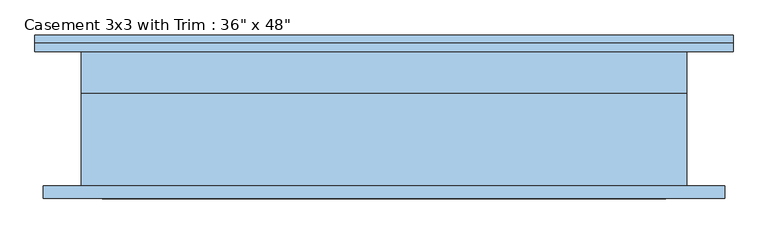
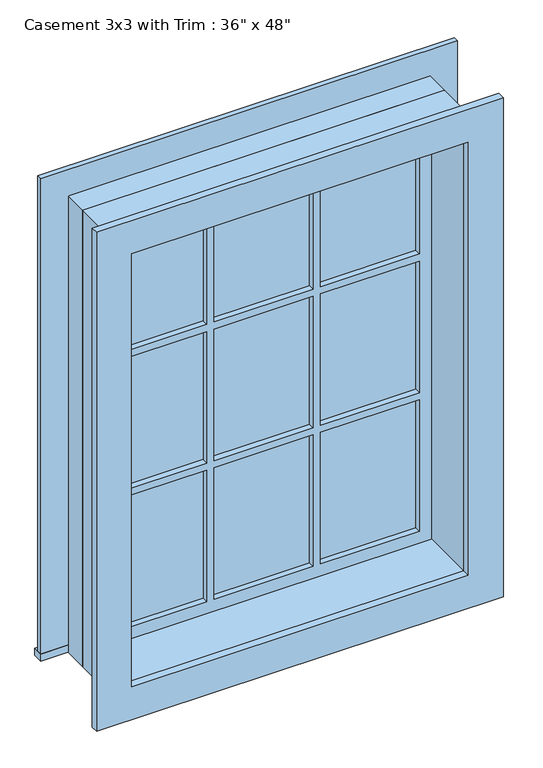
"""IFC4 building model written with IfcOpenShell, lengths in millimetres: window geometry."""

from ifc_helpers import new_model, si_unit, frame, origin, place, context, project, spatial, polyline, outline, extrude, source, transform, mapped, element, save


def window_29c06734(model_context):
    return source(origin(), model_context, "Body", "SweptSolid", [
        extrude(outline(polyline([(-527.05, 127.0), (527.05, 127.0), (527.05, 101.6), (-527.05, 101.6), (-527.05, 127.0)])), frame((0.0, 0.0, 914.4), z_axis=(0.0, 0.0, 1.0), x_axis=(1.0, 0.0, 0.0)), (0.0, 0.0, 1.0), 19.05),
        extrude(outline(polyline([(2114.55, -438.15), (2114.55, 438.15), (933.45, 438.15), (933.45, 527.05), (2203.45, 527.05), (2203.45, -527.05), (933.45, -527.05), (933.45, -438.15), (2114.55, -438.15)])), frame((0.0, 101.6, 0.0), z_axis=(0.0, 1.0, 0.0), x_axis=(0.0, 0.0, 1.0)), (0.0, 0.0, 1.0), 12.7),
        extrude(outline(polyline([(143.9333333, 66.675), (393.7, 66.675), (393.7, 53.975), (143.9333333, 53.975), (143.9333333, 66.675)])), frame((0.0, 0.0, 1718.7333333), z_axis=(0.0, 0.0, 1.0), x_axis=(1.0, 0.0, 0.0)), (0.0, 0.0, 1.0), 351.3666667),
        extrude(outline(polyline([(-124.8833333, 66.675), (124.8833333, 66.675), (124.8833333, 53.975), (-124.8833333, 53.975), (-124.8833333, 66.675)])), frame((0.0, 0.0, 1718.7333333), z_axis=(0.0, 0.0, 1.0), x_axis=(1.0, 0.0, 0.0)), (0.0, 0.0, 1.0), 351.3666667),
        extrude(outline(polyline([(-393.7, 66.675), (-143.9333333, 66.675), (-143.9333333, 53.975), (-393.7, 53.975), (-393.7, 66.675)])), frame((0.0, 0.0, 1718.7333333), z_axis=(0.0, 0.0, 1.0), x_axis=(1.0, 0.0, 0.0)), (0.0, 0.0, 1.0), 351.3666667),
        extrude(outline(polyline([(-393.7, 66.675), (-143.9333333, 66.675), (-143.9333333, 53.975), (-393.7, 53.975), (-393.7, 66.675)])), frame((0.0, 0.0, 1348.3166667), z_axis=(0.0, 0.0, 1.0), x_axis=(1.0, 0.0, 0.0)), (0.0, 0.0, 1.0), 351.3666667),
        extrude(outline(polyline([(-124.8833333, 66.675), (124.8833333, 66.675), (124.8833333, 53.975), (-124.8833333, 53.975), (-124.8833333, 66.675)])), frame((0.0, 0.0, 1348.3166667), z_axis=(0.0, 0.0, 1.0), x_axis=(1.0, 0.0, 0.0)), (0.0, 0.0, 1.0), 351.3666667),
        extrude(outline(polyline([(143.9333333, 66.675), (393.7, 66.675), (393.7, 53.975), (143.9333333, 53.975), (143.9333333, 66.675)])), frame((0.0, 0.0, 1348.3166667), z_axis=(0.0, 0.0, 1.0), x_axis=(1.0, 0.0, 0.0)), (0.0, 0.0, 1.0), 351.3666667),
        extrude(outline(polyline([(143.9333333, 66.675), (393.7, 66.675), (393.7, 53.975), (143.9333333, 53.975), (143.9333333, 66.675)])), frame((0.0, 0.0, 977.9), z_axis=(0.0, 0.0, 1.0), x_axis=(1.0, 0.0, 0.0)), (0.0, 0.0, 1.0), 351.3666667),
        extrude(outline(polyline([(-124.8833333, 66.675), (124.8833333, 66.675), (124.8833333, 53.975), (-124.8833333, 53.975), (-124.8833333, 66.675)])), frame((0.0, 0.0, 977.9), z_axis=(0.0, 0.0, 1.0), x_axis=(1.0, 0.0, 0.0)), (0.0, 0.0, 1.0), 351.3666667),
        extrude(outline(polyline([(-393.7, 66.675), (-143.9333333, 66.675), (-143.9333333, 53.975), (-393.7, 53.975), (-393.7, 66.675)])), frame((0.0, 0.0, 977.9), z_axis=(0.0, 0.0, 1.0), x_axis=(1.0, 0.0, 0.0)), (0.0, 0.0, 1.0), 351.3666667),
        extrude(outline(polyline([(2190.75, 514.35), (2190.75, -514.35), (857.25, -514.35), (857.25, 514.35), (2190.75, 514.35)]), holes=[polyline([(2101.85, 425.45), (946.15, 425.45), (946.15, -425.45), (2101.85, -425.45), (2101.85, 425.45)])]), frame((0.0, -120.65, 0.0), z_axis=(0.0, 1.0, 0.0), x_axis=(0.0, 0.0, 1.0)), (0.0, 0.0, 1.0), 19.05),
        extrude(outline(polyline([(2114.55, -438.15), (933.45, -438.15), (933.45, 438.15), (2114.55, 438.15), (2114.55, -438.15)]), holes=[polyline([(2070.1, -143.9333333), (1718.7333333, -143.9333333), (1718.7333333, -393.7), (2070.1, -393.7), (2070.1, -143.9333333)]), polyline([(1699.6833333, -143.9333333), (1348.3166667, -143.9333333), (1348.3166667, -393.7), (1699.6833333, -393.7), (1699.6833333, -143.9333333)]), polyline([(1329.2666667, -143.9333333), (977.9, -143.9333333), (977.9, -393.7), (1329.2666667, -393.7), (1329.2666667, -143.9333333)]), polyline([(2070.1, 124.8833333), (1718.7333333, 124.8833333), (1718.7333333, -124.8833333), (2070.1, -124.8833333), (2070.1, 124.8833333)]), polyline([(1699.6833333, 124.8833333), (1348.3166667, 124.8833333), (1348.3166667, -124.8833333), (1699.6833333, -124.8833333), (1699.6833333, 124.8833333)]), polyline([(1329.2666667, 124.8833333), (977.9, 124.8833333), (977.9, -124.8833333), (1329.2666667, -124.8833333), (1329.2666667, 124.8833333)]), polyline([(2070.1, 393.7), (1718.7333333, 393.7), (1718.7333333, 143.9333333), (2070.1, 143.9333333), (2070.1, 393.7)]), polyline([(1699.6833333, 393.7), (1348.3166667, 393.7), (1348.3166667, 143.9333333), (1699.6833333, 143.9333333), (1699.6833333, 393.7)]), polyline([(1329.2666667, 393.7), (977.9, 393.7), (977.9, 143.9333333), (1329.2666667, 143.9333333), (1329.2666667, 393.7)])]), frame((0.0, 38.1, 0.0), z_axis=(0.0, 1.0, 0.0), x_axis=(0.0, 0.0, 1.0)), (0.0, 0.0, 1.0), 44.45),
        extrude(outline(polyline([(2133.6, -457.2), (914.4, -457.2), (914.4, 457.2), (2133.6, 457.2), (2133.6, -457.2)]), holes=[polyline([(2101.85, -425.45), (2101.85, 425.45), (946.15, 425.45), (946.15, -425.45), (2101.85, -425.45)])]), frame((0.0, -101.6, 0.0), z_axis=(0.0, 1.0, 0.0), x_axis=(0.0, 0.0, 1.0)), (0.0, 0.0, 1.0), 139.7),
        extrude(outline(polyline([(2133.6, 457.2), (2133.6, -457.2), (914.4, -457.2), (914.4, 457.2), (2133.6, 457.2)]), holes=[polyline([(2114.55, 438.15), (933.45, 438.15), (933.45, -438.15), (2114.55, -438.15), (2114.55, 438.15)])]), frame((0.0, 38.1, 0.0), z_axis=(0.0, 1.0, 0.0), x_axis=(0.0, 0.0, 1.0)), (0.0, 0.0, 1.0), 63.5),
    ])


if __name__ == "__main__":
    model = new_model("IFC4")
    model_context = context("Model", 3, world=origin())
    ifc_project = project(units=[si_unit("LENGTHUNIT", "METRE", prefix="MILLI")], contexts=[model_context])
    site = spatial("IfcSite", under=ifc_project)
    building = spatial("IfcBuilding", under=site)
    placement = place(None, origin())
    window_shape = window_29c06734(model_context)
    element("IfcWindow", 1, ObjectType="Casement 3x3 with Trim : 36\" x 48\"", at=placement, inside=building, context=model_context, shape_type="MappedRepresentation", body=[
        mapped(window_shape, transform((0.0, 0.0, 0.0), x_axis=(1.0, 0.0, 0.0), y_axis=(0.0, 1.0, 0.0), z_axis=(0.0, 0.0, 1.0))),
    ])
    save(model, "model.ifc")
